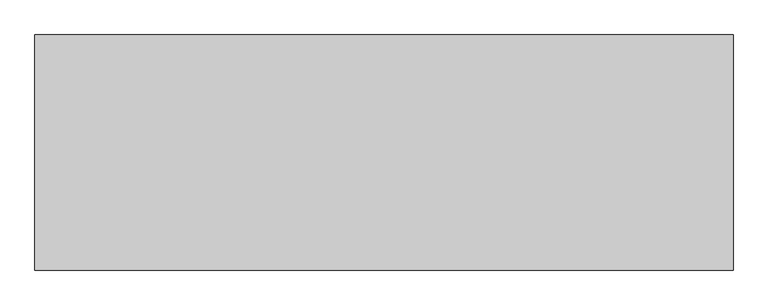
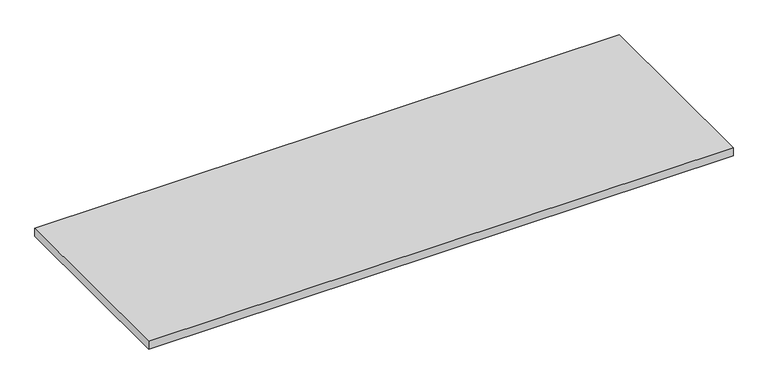
"""IFC4 building model written with IfcOpenShell, lengths in millimetres: furniture geometry."""

from ifc_helpers import new_model, si_unit, frame, origin, place, context, project, spatial, polyline, outline, extrude, source, transform, mapped, element, save


def furniture_ae57c2e0(model_context):
    return source(origin(), model_context, "Body", "SweptSolid", [
        extrude(outline(polyline([(1828.8, 0.0), (1828.8, -615.95), (0.0, -615.95), (0.0, 0.0), (1828.8, 0.0)])), frame((0.0, 0.0, 889.0), z_axis=(0.0, 0.0, 1.0), x_axis=(1.0, 0.0, 0.0)), (0.0, 0.0, 1.0), 25.4),
    ])


if __name__ == "__main__":
    model = new_model("IFC4")
    model_context = context("Model", 3, world=origin())
    ifc_project = project(units=[si_unit("LENGTHUNIT", "METRE", prefix="MILLI")], contexts=[model_context])
    site = spatial("IfcSite", under=ifc_project)
    building = spatial("IfcBuilding", under=site)
    placement = place(None, origin())
    furniture_shape = furniture_ae57c2e0(model_context)
    element("IfcFurniture", 1, at=placement, inside=building, context=model_context, shape_type="MappedRepresentation", body=[
        mapped(furniture_shape, transform((0.0, 0.0, 0.0), x_axis=(1.0, 0.0, 0.0), y_axis=(0.0, 1.0, 0.0), z_axis=(0.0, 0.0, 1.0))),
    ])
    save(model, "model.ifc")
